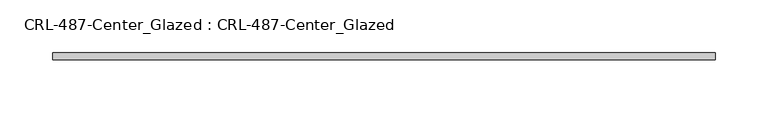
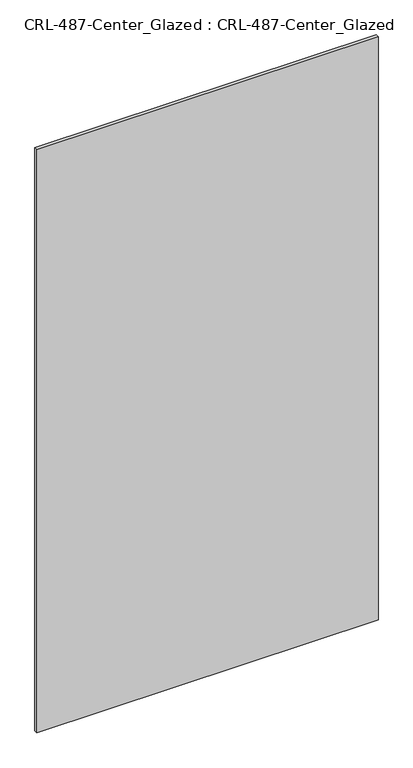
"""IFC4 building model written with IfcOpenShell, lengths in millimetres: plate geometry, CRL-487-Center_Glazed : CRL-487-Center_Glazed."""

from ifc_helpers import new_model, si_unit, origin, origin_with_axes, place, context, project, spatial, polyline, outline, extrude, source, transform, mapped, element, save


def crl_487_center_glazed_crl_487_center_glazed_61a40cdb(model_context):
    return source(origin(), model_context, "Body", "SweptSolid", [
        extrude(outline(polyline([(313.53125, -3.1749999), (-313.53125, -3.1749999), (-313.53125, 3.1749999), (313.53125, 3.1749999), (313.53125, -3.1749999)])), origin_with_axes(), (0.0, 0.0, 1.0), 1133.475),
    ])


if __name__ == "__main__":
    model = new_model("IFC4")
    model_context = context("Model", 3, world=origin())
    ifc_project = project(units=[si_unit("LENGTHUNIT", "METRE", prefix="MILLI")], contexts=[model_context])
    site = spatial("IfcSite", under=ifc_project)
    building = spatial("IfcBuilding", under=site)
    placement = place(None, origin())
    crl_487_center_glazed_crl_487_center_glazed_shape = crl_487_center_glazed_crl_487_center_glazed_61a40cdb(model_context)
    element("IfcPlate", 1, ObjectType="CRL-487-Center_Glazed : CRL-487-Center_Glazed", at=placement, inside=building, context=model_context, shape_type="MappedRepresentation", body=[
        mapped(crl_487_center_glazed_crl_487_center_glazed_shape, transform((0.0, 0.0, 0.0), x_axis=(1.0, 0.0, 0.0), y_axis=(0.0, 1.0, 0.0), z_axis=(0.0, 0.0, 1.0))),
    ])
    save(model, "model.ifc")
